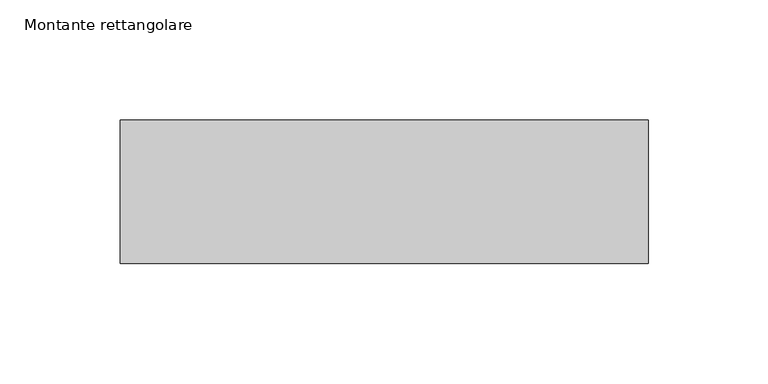
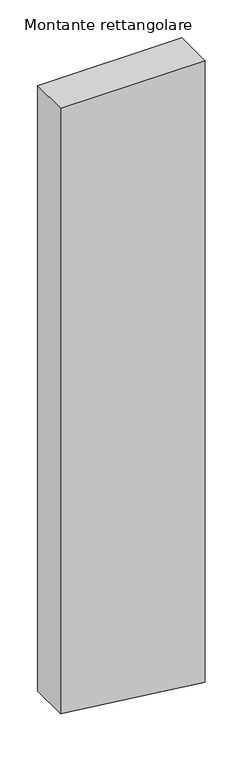
"""IFC4 building model written with IfcOpenShell, lengths in millimetres: member geometry, Montante rettangolare."""

from ifc_helpers import new_model, si_unit, frame, origin, place, context, project, spatial, polyline, outline, extrude, source, transform, mapped, element, save


def montante_rettangolare_7924676a(model_context):
    return source(origin(), model_context, "Body", "SweptSolid", [
        extrude(outline(polyline([(0.0, 110.0), (0.0, -110.0), (-974.3581406, -110.0), (-988.9157178, 11.8616503), (-1000.6393126, 110.0), (0.0, 110.0)])), frame((0.0, -30.0, 0.0), z_axis=(0.0, 1.0, 0.0), x_axis=(0.0, 0.0, 1.0)), (0.0, 0.0, 1.0), 60.0),
    ])


if __name__ == "__main__":
    model = new_model("IFC4")
    model_context = context("Model", 3, world=origin())
    ifc_project = project(units=[si_unit("LENGTHUNIT", "METRE", prefix="MILLI")], contexts=[model_context])
    site = spatial("IfcSite", under=ifc_project)
    building = spatial("IfcBuilding", under=site)
    placement = place(None, origin())
    montante_rettangolare_shape = montante_rettangolare_7924676a(model_context)
    element("IfcMember", 1, ObjectType="Montante rettangolare", at=placement, inside=building, context=model_context, shape_type="MappedRepresentation", body=[
        mapped(montante_rettangolare_shape, transform((0.0, 0.0, 0.0), x_axis=(1.0, 0.0, 0.0), y_axis=(0.0, 1.0, 0.0), z_axis=(0.0, 0.0, 1.0))),
    ])
    save(model, "model.ifc")
